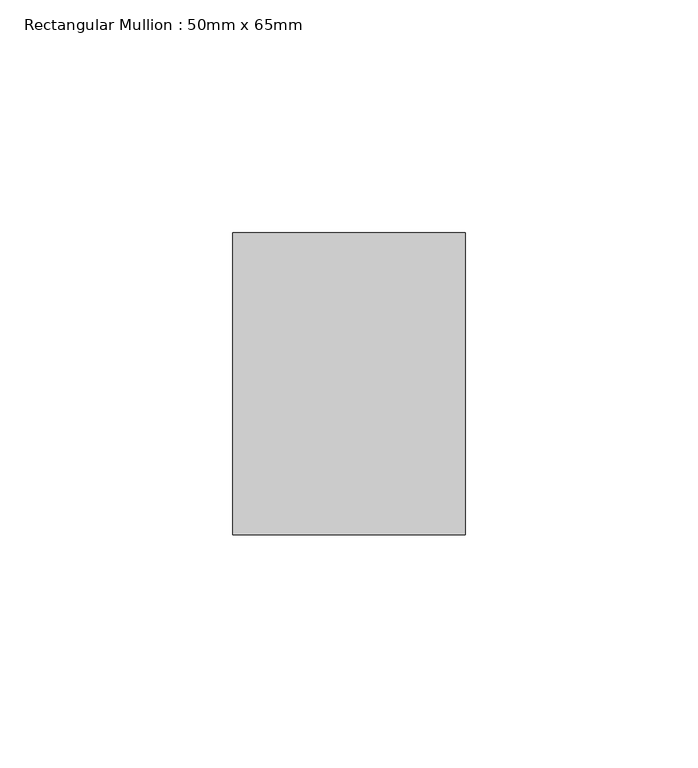
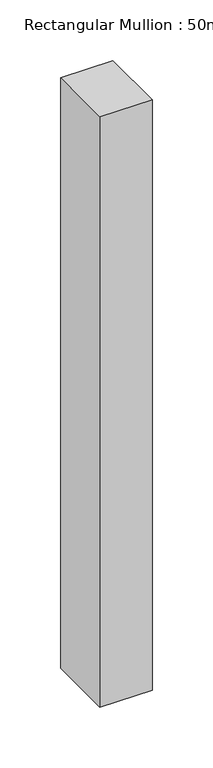
"""IFC4 building model written with IfcOpenShell, lengths in millimetres: member geometry, Rectangular Mullion : 50mm x 65mm."""

from ifc_helpers import new_model, si_unit, frame, origin, place, context, project, spatial, polyline, outline, extrude, source, transform, mapped, element, save


def rectangular_mullion_50mm_x_65mm_89a612ae(model_context):
    return source(origin(), model_context, "Body", "SweptSolid", [
        extrude(outline(polyline([(25.0, 32.5), (25.0, -32.5), (-25.0, -32.5), (-25.0, 32.5), (25.0, 32.5)])), frame((0.0, 0.0, -595.7759266), z_axis=(0.0, 0.0, 1.0), x_axis=(1.0, 0.0, 0.0)), (0.0, 0.0, 1.0), 595.7759266),
    ])


if __name__ == "__main__":
    model = new_model("IFC4")
    model_context = context("Model", 3, world=origin())
    ifc_project = project(units=[si_unit("LENGTHUNIT", "METRE", prefix="MILLI")], contexts=[model_context])
    site = spatial("IfcSite", under=ifc_project)
    building = spatial("IfcBuilding", under=site)
    placement = place(None, origin())
    rectangular_mullion_50mm_x_65mm_shape = rectangular_mullion_50mm_x_65mm_89a612ae(model_context)
    element("IfcMember", 1, ObjectType="Rectangular Mullion : 50mm x 65mm", at=placement, inside=building, context=model_context, shape_type="MappedRepresentation", body=[
        mapped(rectangular_mullion_50mm_x_65mm_shape, transform((0.0, 0.0, 0.0), x_axis=(1.0, 0.0, 0.0), y_axis=(0.0, 1.0, 0.0), z_axis=(0.0, 0.0, 1.0))),
    ])
    save(model, "model.ifc")
